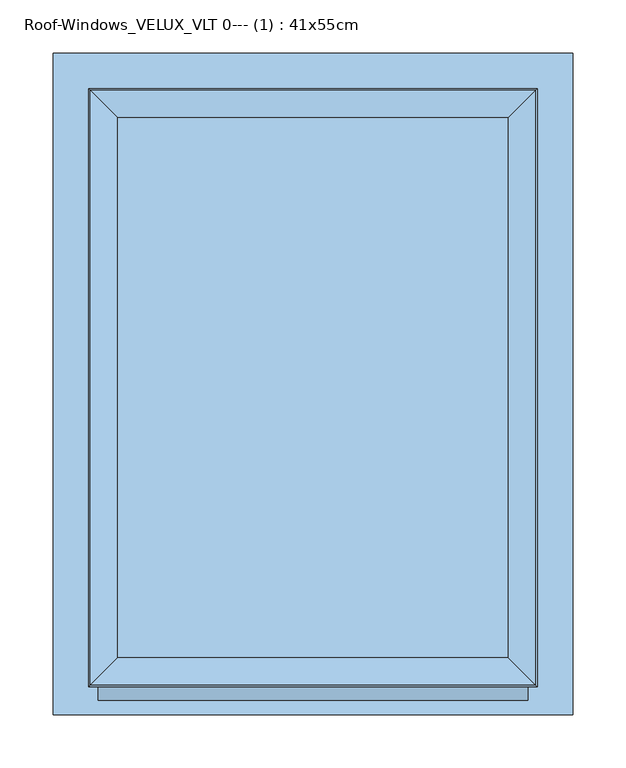
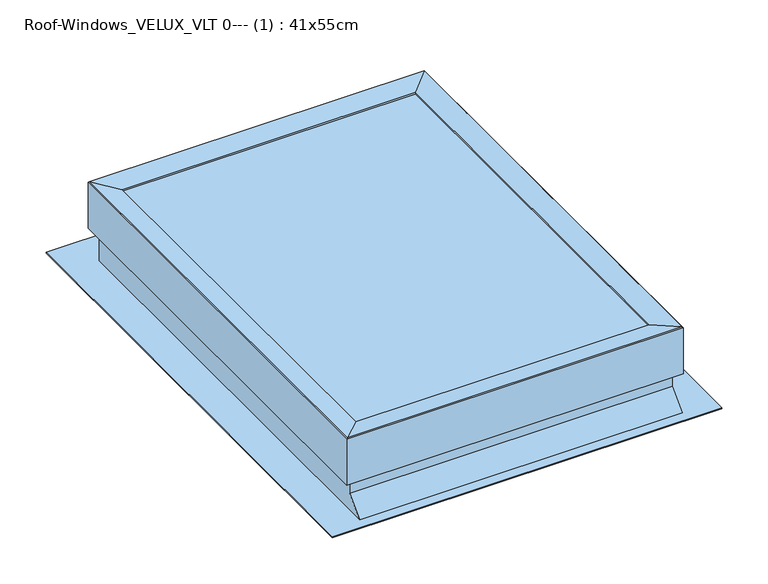
"""IFC4 building model written with IfcOpenShell, lengths in millimetres: window geometry, Roof-Windows_VELUX_VLT 0--- (1) : 41x55cm."""

from ifc_helpers import new_model, si_unit, frame, origin, place, context, project, spatial, polyline, circle_curve, outline, extrude, faceted_brep, source, transform, mapped, element, save
from ifc_brep_helpers import plane_surface, cylinder_surface, revolved_surface, advanced_brep


def roof_windows_velux_vlt_0_1_41x55cm_78b093e9(model_context):
    return source(origin(), model_context, "Body", "SolidModel", [
        advanced_brep(
        [(-152.7444995, -43.7, 3765.4673639), (-152.7444995, -38.6250672, 3724.2454636), (-152.7444995, -18.7749328, 3724.2454636), (-152.7444995, -13.7, 3765.4673639), (-177.7444995, -38.6250672, 3724.2454636), (-177.7444995, -41.9887357, 3751.5673639), (-177.7444995, -15.4112643, 3751.5673639), (-177.7444995, -18.7749328, 3724.2454636), (-183.9444995, -13.7, 3765.4673639), (-183.9444995, -43.7, 3765.4673639), (-183.9444995, -15.4112643, 3751.5673639), (-163.2444995, -38.6250672, 3724.2454636), (-163.2444995, -35.3143783, 3717.9673639), (-167.2444995, -35.3143783, 3717.9673639), (-167.2444995, -38.6250672, 3724.2454636), (-183.9444995, -41.9887357, 3751.5673639), (-167.2444995, -39.6988425, 3732.9673639), (-163.2444995, -39.6988425, 3732.9673639), (-167.2444995, -176.2, 3717.9673639), (-163.2444995, -173.1821485, 3717.9673639), (-167.2444995, -230.2860791, 3717.9673639), (-167.2444995, -226.2, 3717.9673639), (-163.2444995, -173.1821485, 3732.9673639), (-167.2444995, -176.2, 3732.9673639), (-167.2444995, -226.2, 3732.9673639), (-167.2444995, -230.2860791, 3732.9673639)],
        [
            (0, 1),
            (1, 2, circle_curve(frame((-152.7444995, -28.7, 3725.4673639), z_axis=(1.0, 0.0, 0.0), x_axis=(0.0, 1.0, 0.0)), 10.0)),
            (2, 3),
            (3, 0),
            (4, 5),
            (5, 6),
            (6, 7),
            (7, 4, circle_curve(frame((-177.7444995, -28.7, 3725.4673639), z_axis=(-1.0, 0.0, 0.0), x_axis=(0.0, 1.0, 0.0)), 10.0)),
            (3, 8),
            (8, 9),
            (9, 0),
            (2, 7),
            (6, 10),
            (10, 8),
            (1, 11),
            (11, 12, circle_curve(frame((-163.2444995, -28.7, 3725.4673639), z_axis=(1.0, 0.0, 0.0), x_axis=(0.0, 1.0, 0.0)), 10.0)),
            (12, 13),
            (13, 14, circle_curve(frame((-167.2444995, -28.7, 3725.4673639), z_axis=(-1.0, 0.0, 0.0), x_axis=(0.0, 1.0, 0.0)), 10.0)),
            (14, 4),
            (9, 15),
            (15, 5),
            (14, 16),
            (16, 17),
            (17, 11),
            (10, 15),
            (18, 13),
            (12, 19),
            (19, 20, circle_curve(frame((-172.8694995, -201.2, 3717.9673639), z_axis=(0.0, 0.0, -1.0), x_axis=(-1.0, 0.0, 0.0)), 29.625)),
            (20, 21),
            (21, 18, circle_curve(frame((-172.8694995, -201.2, 3717.9673639), z_axis=(0.0, 0.0, 1.0), x_axis=(-1.0, 0.0, 0.0)), 25.625)),
            (22, 17),
            (16, 23),
            (23, 24, circle_curve(frame((-172.8694995, -201.2, 3732.9673639), z_axis=(0.0, 0.0, -1.0), x_axis=(-1.0, 0.0, 0.0)), 25.625)),
            (24, 25),
            (25, 22, circle_curve(frame((-172.8694995, -201.2, 3732.9673639), z_axis=(0.0, 0.0, 1.0), x_axis=(-1.0, 0.0, 0.0)), 29.625)),
            (21, 24),
            (23, 18),
            (20, 25),
            (19, 22),
        ],
        [
            plane_surface(frame((-152.7444995, 326.7185201, 3765.4673639), z_axis=(1.0, 0.0, 0.0), x_axis=(0.0, 1.0, 0.0))),
            plane_surface(frame((-177.7444995, 326.7185201, 3765.4673639), z_axis=(-1.0, 0.0, 0.0), x_axis=(0.0, -1.0, 0.0))),
            plane_surface(frame((-152.7444995, -43.7, 3765.4673639), z_axis=(0.0, 0.0, 1.0), x_axis=(-1.0, 0.0, 0.0))),
            plane_surface(frame((-152.7444995, -13.7, 3765.4673639), z_axis=(0.0, 0.9925067247033487, -0.12219002176377342), x_axis=(-1.0, 0.0, 0.0))),
            cylinder_surface(frame((-177.7444995, -28.7, 3725.4673639), z_axis=(1.0, 0.0, 0.0), x_axis=(0.0, 1.0, 0.0)), 10.0),
            plane_surface(frame((-152.7444995, -38.6250672, 3724.2454636), z_axis=(0.0, -0.9925067247033528, -0.12219002176373986), x_axis=(-1.0, 0.0, 0.0))),
            plane_surface(frame((-183.9444995, -13.7, 3765.4673639), z_axis=(-1.0, 0.0, 0.0), x_axis=(0.0, -1.0, 0.0))),
            plane_surface(frame((-177.7444995, -15.4112643, 3751.5673639), z_axis=(0.0, 0.0, -1.0), x_axis=(-1.0, 0.0, 0.0))),
            plane_surface(frame((-198.4944995, -201.2, 3717.9673639), z_axis=(0.0, 0.0, -1.0), x_axis=(0.0, 1.0, 0.0))),
            plane_surface(frame((-198.4944995, -201.2, 3732.9673639), z_axis=(0.0, 0.0, 1.0), x_axis=(0.0, -1.0, 0.0))),
            revolved_surface(polyline([(-198.4944995, -201.2, 3732.9673639), (-198.4944995, -201.2, 3717.9673639)]), (-172.8694995, -201.2, 3732.9673639), (0.0, 0.0, 1.0)),
            plane_surface(frame((-167.2444995, -226.2, 3717.9673639), z_axis=(-1.0, 0.0, 0.0), x_axis=(0.0, 0.0, 1.0))),
            cylinder_surface(frame((-172.8694995, -201.2, 3732.9673639), z_axis=(0.0, 0.0, -1.0), x_axis=(-1.0, 0.0, 0.0)), 29.625),
            plane_surface(frame((-163.2444995, -173.1821485, 3717.9673639), z_axis=(1.0, 0.0, 0.0), x_axis=(0.0, 0.0, 1.0))),
            plane_surface(frame((-167.2444995, -28.7, 3717.9673639), z_axis=(-1.0, 0.0, 0.0), x_axis=(0.0, 0.0, 1.0))),
        ],
        [
            (0, [[1, 2, 3, 4]]),
            (1, [[5, 6, 7, 8]]),
            (2, [[9, 10, 11, -4]]),
            (3, [[12, -7, 13, 14, -9, -3]]),
            (4, [[15, 16, 17, 18, 19, -8, -12, -2]]),
            (5, [[-11, 20, 21, -5, -19, 22, 23, 24, -15, -1]]),
            (6, [[-10, -14, 25, -20]]),
            (7, [[-13, -6, -21, -25]]),
            (8, [[26, -17, 27, 28, 29, 30]]),
            (9, [[31, -23, 32, 33, 34, 35]]),
            (10, [[36, -33, 37, -30]]),
            (11, [[38, -34, -36, -29]]),
            (12, [[39, -35, -38, -28]]),
            (13, [[-27, -16, -24, -31, -39]]),
            (14, [[-32, -22, -18, -26, -37]]),
        ],
    ),
        faceted_brep([(-210.9, -280.9, 3785.2), (-210.9, 280.9, 3785.2), (-210.9, 280.9, 3724.3), (-210.9, -280.9, 3724.3), (-209.7645074, -279.7645074, 3786.1801309), (-209.7645074, 279.7645074, 3786.1801309), (-183.9444995, -253.9444995, 3782.3673639), (-183.9444995, 253.9444995, 3782.3673639), (-183.9444995, -253.9444995, 3751.5673639), (-183.9444995, 253.9444995, 3751.5673639), (-198.7444995, -268.7444995, 3757.1673639), (-198.7444995, 268.7444995, 3757.1673639), (-198.7444995, 268.7444995, 3751.5673639), (-198.7444995, -268.7444995, 3751.5673639), (-207.9, -277.9, 3724.3), (-207.9, 277.9, 3724.3), (-207.9, 277.9, 3757.1673639), (-207.9, -277.9, 3757.1673639), (210.9, 280.9, 3785.2), (210.9, 280.9, 3724.3), (209.7645074, 279.7645074, 3786.1801309), (183.9444995, 253.9444995, 3782.3673639), (183.9444995, 253.9444995, 3751.5673639), (198.7444995, 268.7444995, 3757.1673639), (198.7444995, 268.7444995, 3751.5673639), (207.9, 277.9, 3724.3), (207.9, 277.9, 3757.1673639), (210.9, -280.9, 3785.2), (210.9, -280.9, 3724.3), (209.7645074, -279.7645074, 3786.1801309), (183.9444995, -253.9444995, 3782.3673639), (183.9444995, -253.9444995, 3751.5673639), (198.7444995, -268.7444995, 3757.1673639), (198.7444995, -268.7444995, 3751.5673639), (207.9, -277.9, 3724.3), (207.9, -277.9, 3757.1673639)], [[[0, 1, 2, 3]], [[4, 5, 1, 0]], [[6, 7, 5, 4]], [[8, 9, 7, 6]], [[10, 11, 12, 13]], [[14, 15, 16, 17]], [[1, 18, 19, 2]], [[5, 20, 18, 1]], [[7, 21, 20, 5]], [[9, 22, 21, 7]], [[11, 23, 24, 12]], [[15, 25, 26, 16]], [[18, 27, 28, 19]], [[20, 29, 27, 18]], [[21, 30, 29, 20]], [[22, 31, 30, 21]], [[23, 32, 33, 24]], [[25, 34, 35, 26]], [[3, 2, 19, 28], [15, 14, 34, 25]], [[27, 0, 3, 28]], [[29, 4, 0, 27]], [[30, 6, 4, 29]], [[31, 8, 6, 30]], [[13, 12, 24, 33], [9, 8, 31, 22]], [[32, 10, 13, 33]], [[17, 16, 26, 35], [11, 10, 32, 23]], [[34, 14, 17, 35]]]),
        extrude(outline(polyline([(-183.9444995, -253.9444995), (-183.9444995, 253.9444995), (183.9444995, 253.9444995), (183.9444995, -253.9444995), (-183.9444995, -253.9444995)])), frame((0.0, 0.0, 3765.4673639), z_axis=(0.0, 0.0, 1.0), x_axis=(1.0, 0.0, 0.0)), (0.0, 0.0, 1.0), 15.0),
        extrude(outline(polyline([(-198.7, -268.7), (-198.7, 268.7), (198.7, 268.7), (198.7, -268.7), (-198.7, -268.7)]), holes=[polyline([(-177.7, 247.7), (-177.7, -247.7), (177.7, -247.7), (177.7, 247.7), (-177.7, 247.7)])]), frame((0.0, 0.0, 3682.6), z_axis=(0.0, 0.0, 1.0), x_axis=(1.0, 0.0, 0.0)), (0.0, 0.0, 1.0), 68.0),
        faceted_brep([(-202.1, 272.1, 3683.6), (-202.1, -293.9, 3683.6), (-202.1, -272.2, 3705.3), (-202.1, -272.2, 3751.5673639), (-202.1, 272.1, 3751.5673639), (202.1, 272.1, 3751.5673639), (202.1, -272.2, 3751.5673639), (202.1, -272.2, 3705.3), (202.1, -293.9, 3683.6), (202.1, 272.1, 3683.6), (-201.1, -271.2, 3704.8), (-201.1, -271.2, 3750.6), (201.1, -271.2, 3750.6), (201.1, -271.2, 3704.8), (201.1, 271.1, 3750.6), (-201.1, 271.1, 3750.6), (-188.0, 258.0, 3750.6), (-188.0, -258.0, 3750.6), (188.0, -258.0, 3750.6), (188.0, 258.0, 3750.6), (-188.0, -258.0, 3751.5673639), (188.0, -258.0, 3751.5673639), (188.0, 258.0, 3751.5673639), (-188.0, 258.0, 3751.5673639), (-244.3, -307.4, 3683.6), (244.3, -307.4, 3683.6), (244.3, 314.3, 3683.6), (-244.3, 314.3, 3683.6), (-244.3, -307.4, 3682.6), (244.3, -307.4, 3682.6), (-244.3, 314.3, 3682.6), (244.3, 314.3, 3682.6), (-201.1, 271.1, 3682.6), (-201.1, -293.4, 3682.6), (201.1, -293.4, 3682.6), (201.1, 271.1, 3682.6)], [[[0, 1, 2, 3, 4]], [[5, 6, 7, 8, 9]], [[10, 11, 12, 13]], [[14, 12, 11, 15], [16, 17, 18, 19]], [[17, 20, 21, 18]], [[4, 3, 6, 5], [22, 21, 20, 23]], [[6, 3, 2, 7]], [[2, 1, 8, 7]], [[24, 25, 26, 27], [1, 0, 9, 8]], [[24, 28, 29, 25]], [[29, 28, 30, 31], [32, 33, 34, 35]], [[13, 34, 33, 10]], [[19, 18, 21, 22]], [[29, 31, 26, 25]], [[35, 34, 13, 12, 14]], [[19, 22, 23, 16]], [[5, 9, 0, 4]], [[26, 31, 30, 27]], [[15, 32, 35, 14]], [[23, 20, 17, 16]], [[24, 27, 30, 28]], [[15, 11, 10, 33, 32]]]),
    ])


if __name__ == "__main__":
    model = new_model("IFC4")
    model_context = context("Model", 3, world=origin())
    ifc_project = project(units=[si_unit("LENGTHUNIT", "METRE", prefix="MILLI")], contexts=[model_context])
    site = spatial("IfcSite", under=ifc_project)
    building = spatial("IfcBuilding", under=site)
    placement = place(None, origin())
    roof_windows_velux_vlt_0_1_41x55cm_shape = roof_windows_velux_vlt_0_1_41x55cm_78b093e9(model_context)
    element("IfcWindow", 1, ObjectType="Roof-Windows_VELUX_VLT 0--- (1) : 41x55cm", at=placement, inside=building, context=model_context, shape_type="MappedRepresentation", body=[
        mapped(roof_windows_velux_vlt_0_1_41x55cm_shape, transform((0.0, 0.0, 0.0), x_axis=(1.0, 0.0, 0.0), y_axis=(0.0, 1.0, 0.0), z_axis=(0.0, 0.0, 1.0))),
    ])
    save(model, "model.ifc")
